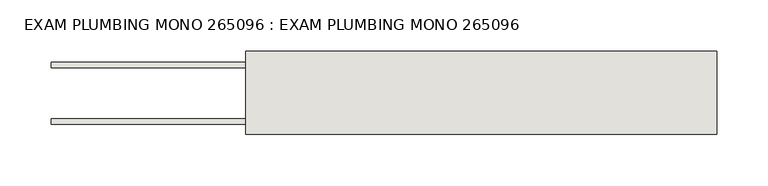
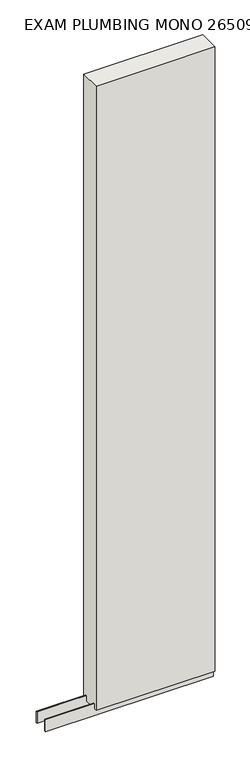
"""IFC4 building model written with IfcOpenShell, lengths in millimetres: wall geometry, EXAM PLUMBING MONO 265096 : EXAM PLUMBING MONO 265096."""

from ifc_helpers import new_model, si_unit, frame, origin, place, context, project, spatial, polyline, outline, extrude, source, transform, mapped, element, save


def exam_plumbing_mono_265096_exam_plumbing_mono_265096_9a752e7c(model_context):
    return source(origin(), model_context, "Body", "SweptSolid", [
        extrude(outline(polyline([(83550.855504, -47157.7745692), (83548.315504, -47157.7745692), (83548.315504, -47155.2345692), (83550.855504, -47155.2345692), (83550.855504, -47157.7745692)])), frame((0.0, 0.0, 4419.6), z_axis=(0.0, 0.0, 1.0), x_axis=(1.0, 0.0, 0.0)), (0.0, 0.0, 1.0), 2.54),
        extrude(outline(polyline([(84008.800867, -47131.4270222), (83357.820457, -47131.4270222), (83357.820457, -47126.3482668), (84008.800867, -47126.3482668), (84008.800867, -47131.4270222)])), frame((0.0, 0.0, 4418.6602), z_axis=(0.0, 0.0, 1.0), x_axis=(1.0, 0.0, 0.0)), (0.0, 0.0, 1.0), 47.625),
        extrude(outline(polyline([(84008.800867, -47131.4270222), (83357.820457, -47131.4270222), (83357.820457, -47126.3482668), (84008.800867, -47126.3482668), (84008.800867, -47131.4270222)])), frame((0.0, 0.0, 4418.6602), z_axis=(0.0, 0.0, 1.0), x_axis=(1.0, 0.0, 0.0)), (0.0, 0.0, 1.0), 47.625),
        extrude(outline(polyline([(83357.820457, -47181.5914126), (84008.800867, -47181.5914126), (84008.800867, -47186.6732668), (83357.820457, -47186.6732668), (83357.820457, -47181.5914126)])), frame((0.0, 0.0, 4418.6602), z_axis=(0.0, 0.0, 1.0), x_axis=(1.0, 0.0, 0.0)), (0.0, 0.0, 1.0), 47.625),
        extrude(outline(polyline([(83357.820457, -47181.5914126), (84008.800867, -47181.5914126), (84008.800867, -47186.6732668), (83357.820457, -47186.6732668), (83357.820457, -47181.5914126)])), frame((0.0, 0.0, 4418.6602), z_axis=(0.0, 0.0, 1.0), x_axis=(1.0, 0.0, 0.0)), (0.0, 0.0, 1.0), 47.625),
        extrude(outline(polyline([(84008.800867, -47115.8558824), (84008.800867, -47197.1377366), (83548.320457, -47197.1377366), (83548.320457, -47115.8558824), (84008.800867, -47115.8558824)])), frame((0.0, 0.0, 4445.0), z_axis=(0.0, 0.0, 1.0), x_axis=(1.0, 0.0, 0.0)), (0.0, 0.0, 1.0), 2562.4536762),
    ])


if __name__ == "__main__":
    model = new_model("IFC4")
    model_context = context("Model", 3, world=origin())
    ifc_project = project(units=[si_unit("LENGTHUNIT", "METRE", prefix="MILLI")], contexts=[model_context])
    site = spatial("IfcSite", under=ifc_project)
    building = spatial("IfcBuilding", under=site)
    placement = place(None, origin())
    exam_plumbing_mono_265096_exam_plumbing_mono_265096_shape = exam_plumbing_mono_265096_exam_plumbing_mono_265096_9a752e7c(model_context)
    element("IfcWall", 1, ObjectType="EXAM PLUMBING MONO 265096 : EXAM PLUMBING MONO 265096", at=placement, inside=building, context=model_context, shape_type="MappedRepresentation", body=[
        mapped(exam_plumbing_mono_265096_exam_plumbing_mono_265096_shape, transform((0.0, 0.0, 0.0), x_axis=(1.0, 0.0, 0.0), y_axis=(0.0, 1.0, 0.0), z_axis=(0.0, 0.0, 1.0))),
    ])
    save(model, "model.ifc")
